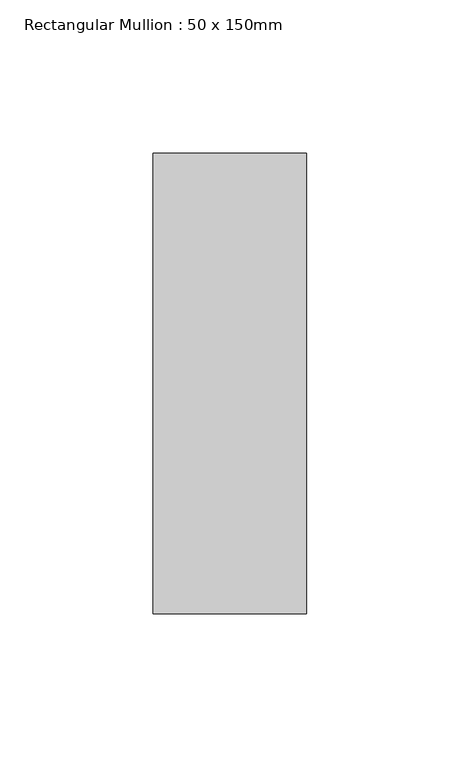
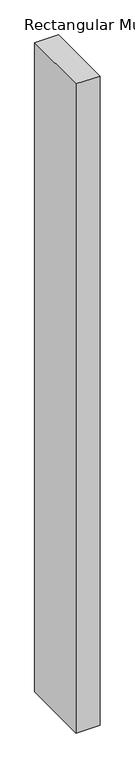
"""IFC4 building model written with IfcOpenShell, lengths in millimetres: member geometry, Rectangular Mullion : 50 x 150mm."""

from ifc_helpers import new_model, si_unit, frame, origin, place, context, project, spatial, polyline, outline, extrude, source, transform, mapped, element, save


def rectangular_mullion_50_x_150mm_c6a40906(model_context):
    return source(origin(), model_context, "Body", "SweptSolid", [
        extrude(outline(polyline([(0.0, 75.0), (0.0, -75.0), (-50.0, -75.0), (-50.0, 75.0), (0.0, 75.0)])), frame((0.0, 0.0, -1436.8421053), z_axis=(0.0, 0.0, 1.0), x_axis=(1.0, 0.0, 0.0)), (0.0, 0.0, 1.0), 1436.8421053),
    ])


if __name__ == "__main__":
    model = new_model("IFC4")
    model_context = context("Model", 3, world=origin())
    ifc_project = project(units=[si_unit("LENGTHUNIT", "METRE", prefix="MILLI")], contexts=[model_context])
    site = spatial("IfcSite", under=ifc_project)
    building = spatial("IfcBuilding", under=site)
    placement = place(None, origin())
    rectangular_mullion_50_x_150mm_shape = rectangular_mullion_50_x_150mm_c6a40906(model_context)
    element("IfcMember", 1, ObjectType="Rectangular Mullion : 50 x 150mm", at=placement, inside=building, context=model_context, shape_type="MappedRepresentation", body=[
        mapped(rectangular_mullion_50_x_150mm_shape, transform((0.0, 0.0, 0.0), x_axis=(1.0, 0.0, 0.0), y_axis=(0.0, 1.0, 0.0), z_axis=(0.0, 0.0, 1.0))),
    ])
    save(model, "model.ifc")
